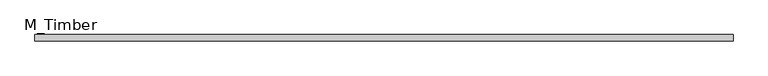
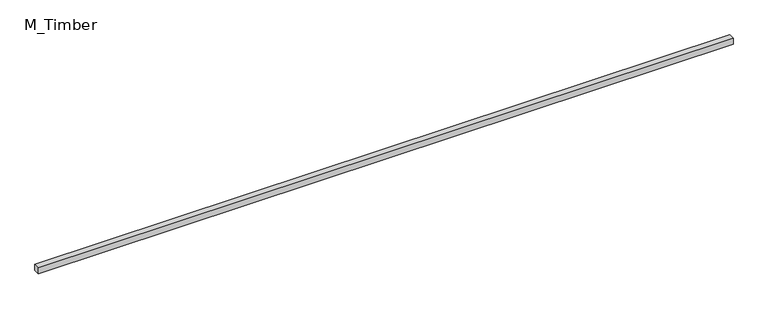
"""IFC4 building model written with IfcOpenShell, lengths in millimetres: beam geometry, M_Timber."""

from ifc_helpers import new_model, si_unit, frame, origin, place, context, project, spatial, polyline, outline, extrude, source, transform, mapped, element, save


def m_timber_61ac057f(model_context):
    return source(origin(), model_context, "Body", "SweptSolid", [
        extrude(outline(polyline([(3374.6710015, 30.0), (3374.6710015, -30.0), (-3374.6710015, -30.0), (-3374.6710015, 30.0), (3374.6710015, 30.0)])), frame((0.0, 0.0, -30.0), z_axis=(0.0, 0.0, 1.0), x_axis=(1.0, 0.0, 0.0)), (0.0, 0.0, 1.0), 60.0),
    ])


if __name__ == "__main__":
    model = new_model("IFC4")
    model_context = context("Model", 3, world=origin())
    ifc_project = project(units=[si_unit("LENGTHUNIT", "METRE", prefix="MILLI")], contexts=[model_context])
    site = spatial("IfcSite", under=ifc_project)
    building = spatial("IfcBuilding", under=site)
    placement = place(None, origin())
    m_timber_shape = m_timber_61ac057f(model_context)
    element("IfcBeam", 1, ObjectType="M_Timber", at=placement, inside=building, context=model_context, shape_type="MappedRepresentation", body=[
        mapped(m_timber_shape, transform((0.0, 0.0, 0.0), x_axis=(1.0, 0.0, 0.0), y_axis=(0.0, 1.0, 0.0), z_axis=(0.0, 0.0, 1.0))),
    ])
    save(model, "model.ifc")
